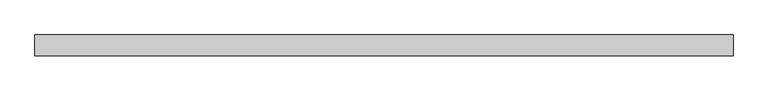
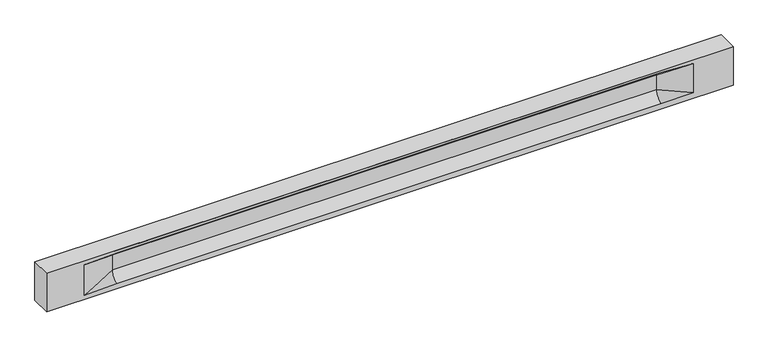
"""IFC4 building model written with IfcOpenShell, lengths in millimetres: beam geometry."""

from ifc_helpers import new_model, si_unit, frame, origin, place, context, project, spatial, polyline, circle_curve, source, transform, mapped, element, save
from ifc_brep_helpers import plane_surface, revolved_surface, spline_surface, advanced_brep


def beam_ba5535f0(model_context):
    return source(origin(), model_context, "Body", "AdvancedBrep", [
        advanced_brep(
        [(8439.5, -250.0, 500.0), (8439.5, -250.0, -500.0), (8439.5, 250.0, -500.0), (8439.5, 250.0, 500.0), (-8439.5, -250.0, 500.0), (-8439.5, -250.0, -500.0), (7464.5, -250.0, -362.0), (6664.5, -250.0, -360.0), (-6709.5, -250.0, -360.0), (-7509.5, -250.0, -400.0), (-7509.5, -250.0, 400.0), (-6709.5, -250.0, 435.0), (6664.5, -250.0, 435.0), (7464.5, -250.0, 400.0), (-8439.5, 250.0, -500.0), (-8439.5, 250.0, 500.0), (7464.5, 250.0, 400.0), (6664.5, 250.0, 435.0), (-6709.5, 250.0, 435.0), (-7509.5, 250.0, 400.0), (-7509.5, 250.0, -400.0), (-6709.5, 250.0, -360.0), (6664.5, 250.0, -360.0), (7464.5, 250.0, -362.0), (6664.5, 155.0, 405.0), (-6709.5, 155.0, 405.0), (6664.5, 60.0, 262.777021), (-6709.5, 60.0, 262.777021), (6664.5, 60.0, -120.0), (-6709.5, 60.0, -120.0), (6664.5, -60.0, -120.0), (-6709.5, -60.0, -120.0), (6664.5, -60.0, 262.777021), (-6709.5, -60.0, 262.777021), (6664.5, -155.0, 405.0), (-6709.5, -155.0, 405.0)],
        [
            (0, 1),
            (1, 2),
            (2, 3),
            (3, 0),
            (0, 4),
            (4, 5),
            (5, 1),
            (6, 7),
            (7, 8),
            (8, 9),
            (9, 10),
            (10, 11),
            (11, 12),
            (12, 13),
            (13, 6),
            (5, 14),
            (14, 2),
            (14, 15),
            (15, 3),
            (16, 17),
            (17, 18),
            (18, 19),
            (19, 20),
            (20, 21),
            (21, 22),
            (22, 23),
            (23, 16),
            (15, 4),
            (17, 24),
            (24, 25),
            (25, 18),
            (24, 26, circle_curve(frame((6664.5, 213.9598725, 262.777021), z_axis=(1.0, 0.0, 0.0), x_axis=(0.0, 1.0, 0.0)), 153.9598725)),
            (26, 27),
            (27, 25, circle_curve(frame((-6709.5, 213.9598725, 262.777021), z_axis=(-1.0, 0.0, 0.0), x_axis=(0.0, 1.0, 0.0)), 153.9598725)),
            (26, 28),
            (28, 29),
            (29, 27),
            (28, 22, circle_curve(frame((6664.5, 306.5789474, -120.0), z_axis=(1.0, 0.0, 0.0), x_axis=(0.0, 1.0, 0.0)), 246.5789474)),
            (21, 29, circle_curve(frame((-6709.5, 306.5789474, -120.0), z_axis=(-1.0, 0.0, 0.0), x_axis=(0.0, 1.0, 0.0)), 246.5789474)),
            (7, 30, circle_curve(frame((6664.5, -306.5789474, -120.0), z_axis=(1.0, 0.0, 0.0), x_axis=(0.0, 1.0, 0.0)), 246.5789474)),
            (30, 31),
            (31, 8, circle_curve(frame((-6709.5, -306.5789474, -120.0), z_axis=(-1.0, 0.0, 0.0), x_axis=(0.0, 1.0, 0.0)), 246.5789474)),
            (30, 32),
            (32, 33),
            (33, 31),
            (32, 34, circle_curve(frame((6664.5, -213.9598725, 262.777021), z_axis=(1.0, 0.0, 0.0), x_axis=(0.0, 1.0, 0.0)), 153.9598725)),
            (34, 35),
            (35, 33, circle_curve(frame((-6709.5, -213.9598725, 262.777021), z_axis=(-1.0, 0.0, 0.0), x_axis=(0.0, 1.0, 0.0)), 153.9598725)),
            (34, 12),
            (11, 35),
            (27, 19),
            (19, 25),
            (10, 35),
            (10, 33),
            (9, 31),
            (20, 29),
            (34, 13),
            (32, 13),
            (30, 6),
            (28, 23),
            (26, 16),
            (24, 16),
        ],
        [
            plane_surface(frame((8439.5, 0.0, 0.0), z_axis=(1.0, 0.0, 0.0), x_axis=(0.0, 0.0, 1.0))),
            plane_surface(frame((8439.5, -250.0, 500.0), z_axis=(0.0, -1.0, 0.0), x_axis=(-1.0, 0.0, 0.0))),
            plane_surface(frame((8439.5, -250.0, -500.0), z_axis=(0.0, 0.0, -1.0), x_axis=(-1.0, 0.0, 0.0))),
            plane_surface(frame((8439.5, 250.0, -500.0), z_axis=(0.0, 1.0, 0.0), x_axis=(-1.0, 0.0, 0.0))),
            plane_surface(frame((8439.5, 250.0, 500.0), z_axis=(0.0, 0.0, 1.0), x_axis=(-1.0, 0.0, 0.0))),
            plane_surface(frame((-6709.5, 250.0, 435.0), z_axis=(0.0, 0.30113136793710954, -0.9535826651341378), x_axis=(1.0, 0.0, 0.0))),
            revolved_surface(polyline([(6664.5, 367.919745, 262.777021), (-6709.5, 367.919745, 262.777021)]), (-6709.5, 213.9598725, 262.777021), (1.0, 0.0, 0.0)),
            plane_surface(frame((-6709.5, 60.0, 262.777021), z_axis=(0.0, 1.0, 0.0), x_axis=(1.0, 0.0, 0.0))),
            revolved_surface(polyline([(6664.5, 553.1578948, -120.0), (-6709.5, 553.1578948, -120.0)]), (-6709.5, 306.5789474, -120.0), (1.0, 0.0, 0.0)),
            revolved_surface(polyline([(6664.5, -60.0, -120.0), (-6709.5, -60.0, -120.0)]), (-6709.5, -306.5789474, -120.0), (1.0, 0.0, 0.0)),
            plane_surface(frame((-6709.5, -60.0, -120.0), z_axis=(0.0, -1.0, 0.0), x_axis=(1.0, 0.0, 0.0))),
            revolved_surface(polyline([(6664.5, -60.0, 262.777021), (-6709.5, -60.0, 262.777021)]), (-6709.5, -213.9598725, 262.777021), (1.0, 0.0, 0.0)),
            plane_surface(frame((-6709.5, -155.0, 405.0), z_axis=(0.0, -0.30113136793710693, -0.9535826651341387), x_axis=(1.0, 0.0, 0.0))),
            spline_surface(2, 1, [[(-7509.5, 250.0, 400.0), (-6709.5, 60.0, 262.777021)], [(-7509.5, 250.0, 400.0), (-6709.5, 59.99999995452379, 365.6168572954922)], [(-7509.5, 250.0, 400.0), (-6709.5, 155.0, 405.0)]], [3, 3], [2, 2], [0.0, 1.0], [0.0, 1.0], weights=[[1.0, 1.0], [0.8315515921160737, 0.8315515921160737], [1.0, 1.0]]),
            plane_surface(frame((-7509.5, 250.0, 400.0), z_axis=(0.04168298285568759, 0.30086965068766386, -0.9527538938442265), x_axis=(0.0, 0.9535826651341378, 0.30113136793710954))),
            plane_surface(frame((-7509.5, -250.0, 400.0), z_axis=(0.041682982855687625, -0.30086965068766125, -0.9527538938442274), x_axis=(0.0, 0.9535826651341387, -0.30113136793710693))),
            spline_surface(2, 1, [[(-7509.5, -250.0, 400.0), (-6709.5, -155.0, 405.0)], [(-7509.5, -250.0, 400.0), (-6709.5, -60.00000008030692, 365.6168572114734)], [(-7509.5, -250.0, 400.0), (-6709.5, -60.0, 262.777021)]], [3, 3], [2, 2], [0.0, 1.0], [0.0, 1.0], weights=[[1.0, 1.0], [0.8315515924557569, 0.8315515924557569], [1.0, 1.0]]),
            plane_surface(frame((-7509.5, -250.0, 0.0), z_axis=(0.2310724307958988, -0.9729365507195599, 0.0), x_axis=(0.0, 0.0, -1.0))),
            spline_surface(2, 1, [[(-7509.5, -250.0, -400.0), (-6709.5, -60.0, -120.0)], [(-7509.5, -250.0, -400.0), (-6709.5, -59.99999998020837, -315.20833333333337)], [(-7509.5, -250.0, -400.0), (-6709.5, -250.0, -360.0)]], [3, 3], [2, 2], [0.0, 1.0], [0.0, 1.0], weights=[[1.0, 1.0], [0.7840458244617614, 0.7840458244617614], [1.0, 1.0]]),
            spline_surface(2, 1, [[(-7509.5, 250.0, -400.0), (-6709.5, 250.0, -360.0)], [(-7509.5, 250.0, -400.0), (-6709.5, 60.00000002887427, -315.20833329480604)], [(-7509.5, 250.0, -400.0), (-6709.5, 60.0, -120.0)]], [3, 3], [2, 2], [0.0, 1.0], [0.0, 1.0], weights=[[1.0, 1.0], [0.7840458245391329, 0.7840458245391329], [1.0, 1.0]]),
            plane_surface(frame((-7509.5, 250.0, 0.0), z_axis=(0.23107243079589448, 0.9729365507195609, 0.0), x_axis=(0.0, 0.0, 1.0))),
            plane_surface(frame((-8439.5, 0.0, 0.0), z_axis=(-1.0, 0.0, 0.0), x_axis=(0.0, 0.0, 1.0))),
            plane_surface(frame((6664.5, -202.5, 420.0), z_axis=(-0.041682982855687514, -0.30086965068766125, -0.9527538938442274), x_axis=(0.0, 0.9535826651341387, -0.30113136793710693))),
            spline_surface(2, 1, [[(6664.5, -155.0, 405.0), (7464.5, -250.0, 400.0)], [(6664.5, -60.00000008030692, 365.6168572114734), (7464.5, -250.0, 400.0)], [(6664.5, -60.0, 262.777021), (7464.5, -250.0, 400.0)]], [3, 3], [2, 2], [0.0, 1.0], [0.0, 1.0], weights=[[1.0, 1.0], [0.8315515924557569, 0.8315515924557569], [1.0, 1.0]]),
            plane_surface(frame((6664.5, -60.0, 71.3885105), z_axis=(-0.23107243079589768, -0.9729365507195602, 0.0), x_axis=(0.0, 0.0, -1.0))),
            spline_surface(2, 1, [[(6664.5, -60.0, -120.0), (7464.5, -250.0, -362.0)], [(6664.5, -59.99999998020837, -315.20833333333337), (7464.5, -250.0, -362.0)], [(6664.5, -250.0, -360.0), (7464.5, -250.0, -362.0)]], [3, 3], [2, 2], [0.0, 1.0], [0.0, 1.0], weights=[[1.0, 1.0], [0.7840458244617614, 0.7840458244617614], [1.0, 1.0]]),
            spline_surface(2, 1, [[(6664.5, 250.0, -360.0), (7464.5, 250.0, -362.0)], [(6664.5, 60.00000002887427, -315.20833329480604), (7464.5, 250.0, -362.0)], [(6664.5, 60.0, -120.0), (7464.5, 250.0, -362.0)]], [3, 3], [2, 2], [0.0, 1.0], [0.0, 1.0], weights=[[1.0, 1.0], [0.7840458245391329, 0.7840458245391329], [1.0, 1.0]]),
            plane_surface(frame((6664.5, 60.0, 71.3885105), z_axis=(-0.2310724307958912, 0.9729365507195616, 0.0), x_axis=(0.0, 0.0, 1.0))),
            spline_surface(2, 1, [[(6664.5, 60.0, 262.777021), (7464.5, 250.0, 400.0)], [(6664.5, 59.99999995452379, 365.6168572954922), (7464.5, 250.0, 400.0)], [(6664.5, 155.0, 405.0), (7464.5, 250.0, 400.0)]], [3, 3], [2, 2], [0.0, 1.0], [0.0, 1.0], weights=[[1.0, 1.0], [0.8315515921160737, 0.8315515921160737], [1.0, 1.0]]),
            plane_surface(frame((6664.5, 202.5, 420.0), z_axis=(-0.04168298285568677, 0.30086965068766386, -0.9527538938442265), x_axis=(0.0, 0.9535826651341378, 0.30113136793710954))),
        ],
        [
            (0, [[1, 2, 3, 4]]),
            (1, [[-1, 5, 6, 7], [8, 9, 10, 11, 12, 13, 14, 15]]),
            (2, [[-2, -7, 16, 17]]),
            (3, [[-3, -17, 18, 19], [20, 21, 22, 23, 24, 25, 26, 27]]),
            (4, [[-5, -4, -19, 28]]),
            (5, [[-21, 29, 30, 31]]),
            (6, [[-30, 32, 33, 34]]),
            (7, [[-33, 35, 36, 37]]),
            (8, [[-36, 38, -25, 39]]),
            (9, [[-9, 40, 41, 42]]),
            (10, [[-41, 43, 44, 45]]),
            (11, [[-44, 46, 47, 48]]),
            (12, [[-47, 49, -13, 50]]),
            (13, [[51, 52, -34]]),
            (14, [[-52, -22, -31]]),
            (15, [[-12, 53, -50]]),
            (16, [[-53, 54, -48]]),
            (17, [[-54, -11, 55, -45]]),
            (18, [[-55, -10, -42]]),
            (19, [[-24, 56, -39]]),
            (20, [[-51, -37, -56, -23]]),
            (21, [[-28, -18, -16, -6]]),
            (22, [[-14, -49, 57]]),
            (23, [[-57, -46, 58]]),
            (24, [[-58, -43, 59, -15]]),
            (25, [[-59, -40, -8]]),
            (26, [[-26, -38, 60]]),
            (27, [[-60, -35, 61, -27]]),
            (28, [[-61, -32, 62]]),
            (29, [[-62, -29, -20]]),
        ],
    ),
    ])


if __name__ == "__main__":
    model = new_model("IFC4")
    model_context = context("Model", 3, world=origin())
    ifc_project = project(units=[si_unit("LENGTHUNIT", "METRE", prefix="MILLI")], contexts=[model_context])
    site = spatial("IfcSite", under=ifc_project)
    building = spatial("IfcBuilding", under=site)
    placement = place(None, origin())
    beam_shape = beam_ba5535f0(model_context)
    element("IfcBeam", 1, at=placement, inside=building, context=model_context, shape_type="MappedRepresentation", body=[
        mapped(beam_shape, transform((0.0, 0.0, 0.0), x_axis=(1.0, 0.0, 0.0), y_axis=(0.0, 1.0, 0.0), z_axis=(0.0, 0.0, 1.0))),
    ])
    save(model, "model.ifc")
